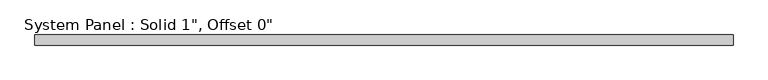
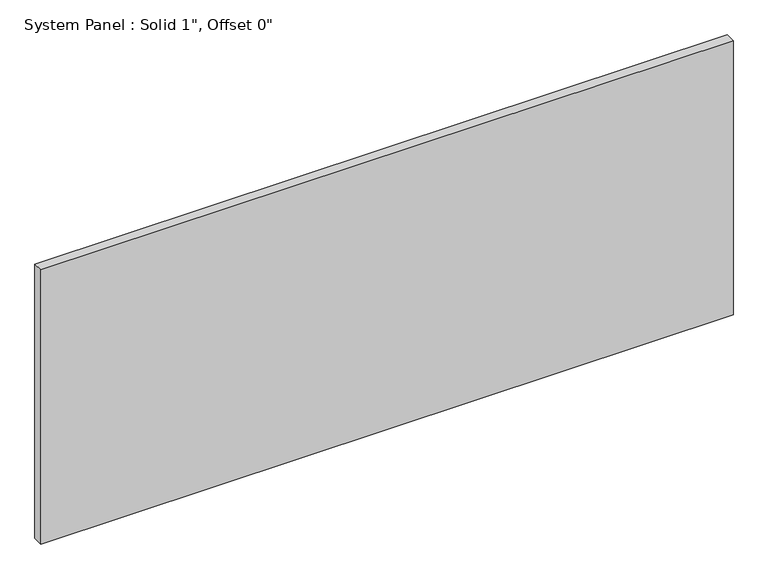
"""IFC4 building model written with IfcOpenShell, lengths in millimetres: plate geometry."""

from ifc_helpers import new_model, si_unit, origin, origin_with_axes, place, context, project, spatial, polyline, outline, extrude, source, transform, mapped, element, save


def plate_1def37ed(model_context):
    return source(origin(), model_context, "Body", "SweptSolid", [
        extrude(outline(polyline([(876.3, -12.7), (-876.3, -12.7), (-876.3, 12.7), (876.3, 12.7), (876.3, -12.7)])), origin_with_axes(), (0.0, 0.0, 1.0), 733.3934227),
    ])


if __name__ == "__main__":
    model = new_model("IFC4")
    model_context = context("Model", 3, world=origin())
    ifc_project = project(units=[si_unit("LENGTHUNIT", "METRE", prefix="MILLI")], contexts=[model_context])
    site = spatial("IfcSite", under=ifc_project)
    building = spatial("IfcBuilding", under=site)
    placement = place(None, origin())
    plate_shape = plate_1def37ed(model_context)
    element("IfcPlate", 1, ObjectType="System Panel : Solid 1\", Offset 0\"", at=placement, inside=building, context=model_context, shape_type="MappedRepresentation", body=[
        mapped(plate_shape, transform((0.0, 0.0, 0.0), x_axis=(1.0, 0.0, 0.0), y_axis=(0.0, 1.0, 0.0), z_axis=(0.0, 0.0, 1.0))),
    ])
    save(model, "model.ifc")
